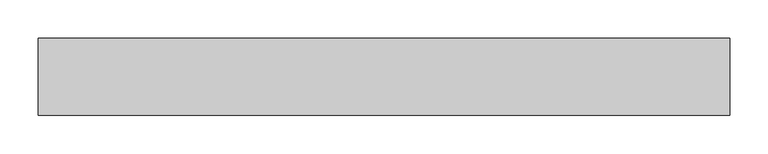
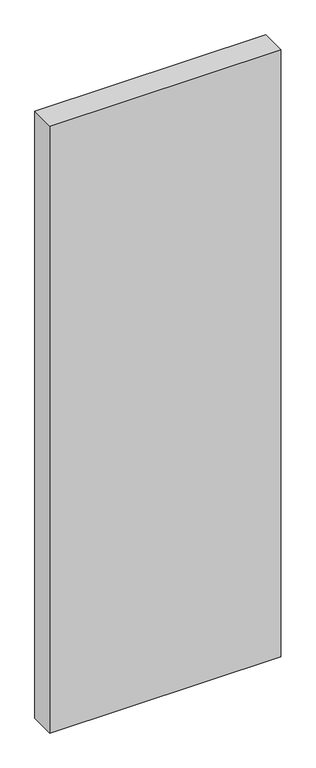
"""IFC4 building model written with IfcOpenShell, lengths in millimetres: proxy geometry."""

from ifc_helpers import new_model, si_unit, frame, origin, place, context, project, spatial, polyline, outline, extrude, source, transform, mapped, element, save


def generic_models_ddae4a9a(model_context):
    return source(origin(), model_context, "Body", "SweptSolid", [
        extrude(outline(polyline([(900.0, 100.0), (900.0, 0.0), (0.0, 0.0), (0.0, 100.0), (900.0, 100.0)])), frame((0.0, 0.0, -2500.0), z_axis=(0.0, 0.0, 1.0), x_axis=(1.0, 0.0, 0.0)), (0.0, 0.0, 1.0), 2500.0),
    ])


if __name__ == "__main__":
    model = new_model("IFC4")
    model_context = context("Model", 3, world=origin())
    ifc_project = project(units=[si_unit("LENGTHUNIT", "METRE", prefix="MILLI")], contexts=[model_context])
    site = spatial("IfcSite", under=ifc_project)
    building = spatial("IfcBuilding", under=site)
    placement = place(None, origin())
    generic_models_shape = generic_models_ddae4a9a(model_context)
    element("IfcBuildingElementProxy", 1, Name="Generic Models", at=placement, inside=building, context=model_context, shape_type="MappedRepresentation", body=[
        mapped(generic_models_shape, transform((0.0, 0.0, 0.0), x_axis=(1.0, 0.0, 0.0), y_axis=(0.0, 1.0, 0.0), z_axis=(0.0, 0.0, 1.0))),
    ])
    save(model, "model.ifc")
